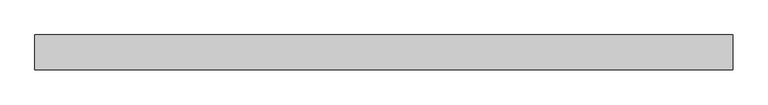
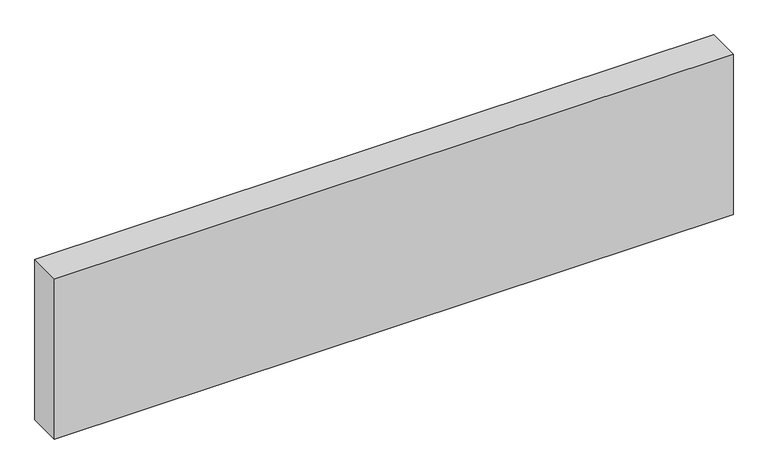
"""IFC4 building model written with IfcOpenShell, lengths in millimetres: proxy geometry."""

import ifcopenshell
import ifcopenshell.guid

model = None  # the IFC model being written
_history = None  # IfcOwnerHistory: only IFC2X3 demands one
_inside = {}  # id of a spatial element -> (the spatial element, [elements in it])
_under = {}  # id of a project, library or spatial element -> (it, [spatial elements below it])
_declared = {}  # id of a project -> (the project, [libraries it declares])
_typed = {}  # id of a type object -> (the type object, [elements of that type])
_made_of = {}  # id of a material, layer set ... -> (it, [elements and type objects made of it])


def new_model(schema):
    """Start an empty IFC model of exactly this schema.

    Asked for "IFC4X3", IfcOpenShell would pick the latest addendum, in which some entities
    have other attributes; the version numbers below select the first issue.
    IFC2X3 requires an IfcOwnerHistory on every rooted entity: one is made here for all.
    """
    global model, _history
    if schema == "IFC4X3":
        model = ifcopenshell.file(schema_version=(4, 3, 0, 0))
    else:
        model = ifcopenshell.file(schema=schema)
    _inside.clear()
    _under.clear()
    _declared.clear()
    _typed.clear()
    _made_of.clear()
    _history = None
    if model.schema == "IFC2X3":
        org = make("IfcOrganization", Name="unknown")
        user = make(
            "IfcPersonAndOrganization",
            ThePerson=make("IfcPerson", FamilyName="unknown"),
            TheOrganization=org,
        )
        app = make(
            "IfcApplication",
            ApplicationDeveloper=org,
            Version="unknown",
            ApplicationFullName="unknown",
            ApplicationIdentifier="unknown",
        )
        _history = make(
            "IfcOwnerHistory",
            OwningUser=user,
            OwningApplication=app,
            ChangeAction="ADDED",
            CreationDate=0,
        )
    return model


def make(cls, **values):
    """One entity of the class cls with the attributes given. An attribute that is None is left unset."""
    return model.create_entity(
        cls, **{name: value for name, value in values.items() if value is not None}
    )


def rooted(cls, **values):
    """An entity with a GlobalId (a new one), such as an element, a storey or a relation."""
    return make(cls, GlobalId=ifcopenshell.guid.new(), OwnerHistory=_history, **values)


def si_unit(unit_type, name, prefix=None):
    """IfcSIUnit, for example si_unit("LENGTHUNIT", "METRE", prefix="MILLI")."""
    return make("IfcSIUnit", UnitType=unit_type, Prefix=prefix, Name=name)


def assignment(units):
    """IfcUnitAssignment: the units of a project."""
    return None if units is None else make("IfcUnitAssignment", Units=units)


def point(xyz):
    """IfcCartesianPoint."""
    return None if xyz is None else make("IfcCartesianPoint", Coordinates=xyz)


def direction(xyz):
    """IfcDirection."""
    return None if xyz is None else make("IfcDirection", DirectionRatios=xyz)


def frame(location, z_axis=None, x_axis=None):
    """IfcAxis2Placement3D, a coordinate frame: its origin and axes. An axis left out is left unset."""
    return make(
        "IfcAxis2Placement3D",
        Location=point(location),
        Axis=direction(z_axis),
        RefDirection=direction(x_axis),
    )


def origin():
    """The frame at (0, 0, 0) with its axes left unset."""
    return frame((0.0, 0.0, 0.0))


def origin_with_axes():
    """The frame at (0, 0, 0) with the z axis (0, 0, 1) and the x axis (1, 0, 0) written out."""
    return frame((0.0, 0.0, 0.0), z_axis=(0.0, 0.0, 1.0), x_axis=(1.0, 0.0, 0.0))


def place(relative_to, where):
    """IfcLocalPlacement: puts the frame where relative to a parent placement (None: the world)."""
    return make(
        "IfcLocalPlacement", PlacementRelTo=relative_to, RelativePlacement=where
    )


def context(
    kind, dimensions, precision=None, world=None, true_north=None, identifier=None
):
    """IfcGeometricRepresentationContext, for example the 3D "Model" context."""
    return make(
        "IfcGeometricRepresentationContext",
        ContextIdentifier=identifier,
        ContextType=kind,
        CoordinateSpaceDimension=dimensions,
        Precision=precision,
        WorldCoordinateSystem=world,
        TrueNorth=true_north,
    )


def project(units=None, contexts=None):
    """IfcProject with its units and contexts."""
    return rooted(
        "IfcProject",
        Name="project",
        RepresentationContexts=contexts,
        UnitsInContext=assignment(units),
    )


def spatial(cls, under=None, at=None, **own):
    """A site, building, storey or space (cls), placed at a placement, below another one or the project."""
    s = rooted(cls, ObjectPlacement=at, **own)
    if under is not None:
        _under.setdefault(under.id(), (under, []))[1].append(s)
    return s


def polyline(points):
    """IfcPolyline through the points."""
    return make("IfcPolyline", Points=[point(p) for p in points])


def outline(outer, holes=None, kind="AREA"):
    """IfcArbitraryClosedProfileDef: a profile drawn as a closed curve; with holes, ...WithVoids."""
    if holes is None:
        return make("IfcArbitraryClosedProfileDef", ProfileType=kind, OuterCurve=outer)
    return make(
        "IfcArbitraryProfileDefWithVoids",
        ProfileType=kind,
        OuterCurve=outer,
        InnerCurves=holes,
    )


def extrude(swept, where, along, depth):
    """IfcExtrudedAreaSolid: the profile swept, set in the frame where, extruded along a direction by depth."""
    return make(
        "IfcExtrudedAreaSolid",
        SweptArea=swept,
        Position=where,
        ExtrudedDirection=direction(along),
        Depth=depth,
    )


def shape(context_of_items, identifier, shape_type, items):
    """IfcShapeRepresentation: the items that make up one representation, for example the "Body"."""
    return make(
        "IfcShapeRepresentation",
        ContextOfItems=context_of_items,
        RepresentationIdentifier=identifier,
        RepresentationType=shape_type,
        Items=items,
    )


def source(mapping_origin, context_of_items, identifier, shape_type, items):
    """IfcRepresentationMap: a shape defined once, which mapped items show again and again."""
    return make(
        "IfcRepresentationMap",
        MappingOrigin=mapping_origin,
        MappedRepresentation=shape(context_of_items, identifier, shape_type, items),
    )


def transform(
    local_origin,
    x_axis=None,
    y_axis=None,
    z_axis=None,
    scale=None,
    scale2=None,
    scale3=None,
    uniform=True,
):
    """IfcCartesianTransformationOperator3D, or its non-uniform kind. x_axis, y_axis, z_axis: its Axis1, 2, 3."""
    if uniform:
        return make(
            "IfcCartesianTransformationOperator3D",
            Axis1=direction(x_axis),
            Axis2=direction(y_axis),
            LocalOrigin=point(local_origin),
            Scale=scale,
            Axis3=direction(z_axis),
        )
    return make(
        "IfcCartesianTransformationOperator3DnonUniform",
        Axis1=direction(x_axis),
        Axis2=direction(y_axis),
        LocalOrigin=point(local_origin),
        Scale=scale,
        Axis3=direction(z_axis),
        Scale2=scale2,
        Scale3=scale3,
    )


def mapped(mapping_source, mapping_target):
    """IfcMappedItem: shows the shape of a source again, moved by a transform."""
    return make(
        "IfcMappedItem", MappingSource=mapping_source, MappingTarget=mapping_target
    )


def made_of(thing, what):
    """Note that an element or type object is made of a material, layer set ...; save() writes the relation."""
    if what is not None:
        _made_of.setdefault(what.id(), (what, []))[1].append(thing)
    return thing


def element(
    cls,
    number,
    at=None,
    inside=None,
    cuts=None,
    type_object=None,
    material=None,
    context=None,
    identifier="Body",
    shape_type=None,
    held_by="IfcProductDefinitionShape",
    body=None,
    shapes=None,
    **own,
):
    """One element of the class cls, such as IfcWall. Its Tag is "e" and its number.

    at: its placement. inside: the storey or other place that contains it. cuts: it is an
    opening in that element (IfcRelVoidsElement). A single representation is given by context,
    identifier, shape_type and body (its items); several are given by shapes. held_by: the class
    of the entity that holds the representations. save() writes the other relations.
    """
    e = rooted(cls, Tag="e%d" % number, ObjectPlacement=at, **own)
    if body is not None:
        shapes = [shape(context, identifier, shape_type, body)]
    if shapes is not None:
        e.Representation = make(held_by, Representations=shapes)
    if inside is not None:
        _inside.setdefault(inside.id(), (inside, []))[1].append(e)
    if cuts is not None:
        rooted(
            "IfcRelVoidsElement", RelatingBuildingElement=cuts, RelatedOpeningElement=e
        )
    if type_object is not None:
        _typed.setdefault(type_object.id(), (type_object, []))[1].append(e)
    return made_of(e, material)


def aggregate(whole, parts):
    """IfcRelAggregates: a whole, such as a stair, and the parts it consists of."""
    return rooted("IfcRelAggregates", RelatingObject=whole, RelatedObjects=parts)


def save(model, path):
    """Write the relations noted so far, then the file.

    IfcRelAggregates (storeys below a building ...), IfcRelContainedInSpatialStructure (elements
    in a storey), IfcRelDefinesByType, IfcRelAssociatesMaterial and IfcRelDeclares: one each for
    every whole, place, type object, material and project.
    """
    for whole, parts in _under.values():
        aggregate(whole, parts)
    for where, things in _inside.values():
        rooted(
            "IfcRelContainedInSpatialStructure",
            RelatedElements=things,
            RelatingStructure=where,
        )
    for kind, things in _typed.values():
        rooted("IfcRelDefinesByType", RelatedObjects=things, RelatingType=kind)
    for what, things in _made_of.values():
        rooted("IfcRelAssociatesMaterial", RelatedObjects=things, RelatingMaterial=what)
    for by, libraries in _declared.values():
        rooted("IfcRelDeclares", RelatingContext=by, RelatedDefinitions=libraries)
    model.write(path)


def generic_models_910baa37(model_context):
    return source(origin(), model_context, "Body", "SweptSolid", [
        extrude(outline(polyline([(0.0, -100.0), (-2000.0, -100.0), (-2000.0, 0.0), (0.0, 0.0), (0.0, -100.0)])), origin_with_axes(), (0.0, 0.0, 1.0), 500.0),
    ])


if __name__ == "__main__":
    model = new_model("IFC4")
    model_context = context("Model", 3, world=origin())
    ifc_project = project(units=[si_unit("LENGTHUNIT", "METRE", prefix="MILLI")], contexts=[model_context])
    site = spatial("IfcSite", under=ifc_project)
    building = spatial("IfcBuilding", under=site)
    placement = place(None, origin())
    generic_models_shape = generic_models_910baa37(model_context)
    element("IfcBuildingElementProxy", 1, Name="Generic Models", at=placement, inside=building, context=model_context, shape_type="MappedRepresentation", body=[
        mapped(generic_models_shape, transform((0.0, 0.0, 0.0), x_axis=(1.0, 0.0, 0.0), y_axis=(0.0, 1.0, 0.0), z_axis=(0.0, 0.0, 1.0))),
    ])
    save(model, "model.ifc")
